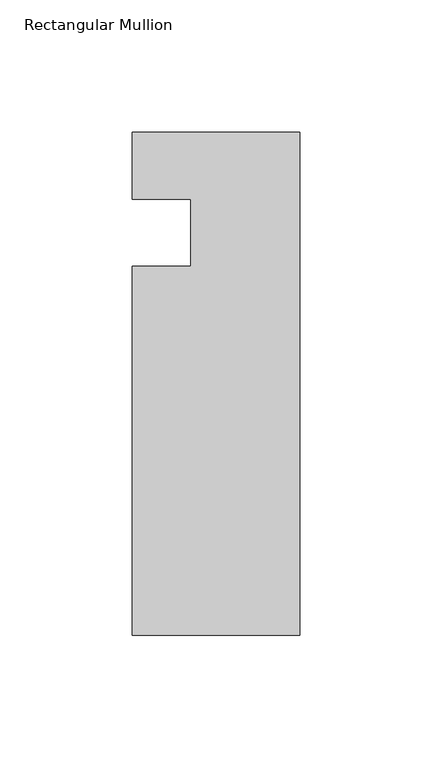
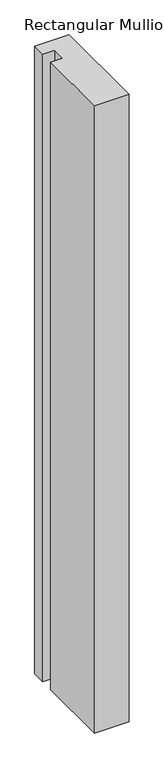
"""IFC4 building model written with IfcOpenShell, lengths in millimetres: member geometry, Rectangular Mullion."""

from ifc_helpers import new_model, si_unit, frame, origin, place, context, project, spatial, polyline, outline, extrude, source, transform, mapped, element, save


def rectangular_mullion_7700ef36(model_context):
    return source(origin(), model_context, "Body", "SweptSolid", [
        extrude(outline(polyline([(-63.5, -152.399995), (-63.5, -12.7), (-41.2751132, -12.7), (-41.2751132, 12.7296373), (-63.5, 12.7296373), (-63.5, 38.1), (0.0, 38.1), (0.0, -152.399995), (-63.5, -152.399995)])), frame((0.0, 0.0, -1219.2), z_axis=(0.0, 0.0, 1.0), x_axis=(1.0, 0.0, 0.0)), (0.0, 0.0, 1.0), 1219.2),
    ])


if __name__ == "__main__":
    model = new_model("IFC4")
    model_context = context("Model", 3, world=origin())
    ifc_project = project(units=[si_unit("LENGTHUNIT", "METRE", prefix="MILLI")], contexts=[model_context])
    site = spatial("IfcSite", under=ifc_project)
    building = spatial("IfcBuilding", under=site)
    placement = place(None, origin())
    rectangular_mullion_shape = rectangular_mullion_7700ef36(model_context)
    element("IfcMember", 1, ObjectType="Rectangular Mullion", at=placement, inside=building, context=model_context, shape_type="MappedRepresentation", body=[
        mapped(rectangular_mullion_shape, transform((0.0, 0.0, 0.0), x_axis=(1.0, 0.0, 0.0), y_axis=(0.0, 1.0, 0.0), z_axis=(0.0, 0.0, 1.0))),
    ])
    save(model, "model.ifc")
